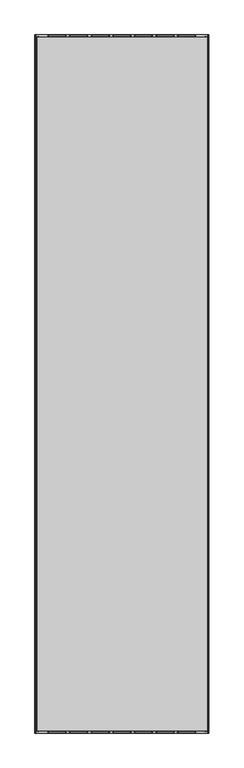
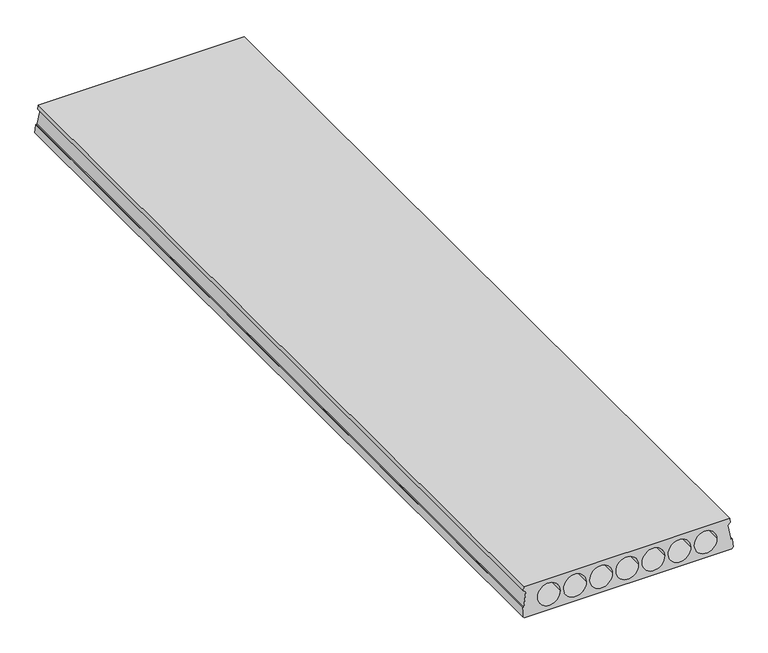
"""IFC4 building model written with IfcOpenShell, lengths in millimetres: beam geometry."""

from ifc_helpers import new_model, si_unit, frame, origin, place, context, project, spatial, polyline, ellipse_curve, source, transform, mapped, element, save
from ifc_brep_helpers import plane_surface, revolved_surface, advanced_brep


def beam_33a0fd13(model_context):
    return source(origin(), model_context, "Body", "AdvancedBrep", [
        advanced_brep(
        [(10.0, -5980.0, 0.0), (10.0, 0.0, 0.0), (1480.0, 0.0, 0.0), (1480.0, -5980.0, 0.0), (1474.7696772, -15.0, 220.0), (15.0, -15.0, 220.0), (15.0, -5965.0, 220.0), (1474.7696772, -5965.0, 220.0), (12.8871596, -12.9831978, 190.4202344), (15.8795357, -12.9686245, 190.2064933), (15.8795357, -5967.0313755, 190.2064933), (12.8871596, -5967.0168022, 190.4202344), (29.9864516, -12.0796557, 177.1682831), (29.9864516, -5967.9203443, 177.1682831), (12.6021714, -5.0553442, 74.1450488), (12.6021714, -5974.9446558, 74.1450488), (7.3298897, -4.8075988, 70.5114493), (7.3298897, -5975.1924012, 70.5114493), (4.3580656, -4.8417899, 71.0129189), (4.3580656, -5975.1582101, 71.0129189), (0.0, -0.6818182, 10.0), (0.0, -5979.3181818, 10.0), (1490.0, -0.6818182, 10.0), (1490.0, -5979.3181818, 10.0), (1485.6391914, -4.8444083, 71.051321), (1485.6391914, -5975.1555917, 71.051321), (1482.4401418, -4.8076029, 70.5115091), (1482.4401418, -5975.1923971, 70.5115091), (1477.167566, -5.0553621, 74.1453113), (1477.167566, -5974.9446379, 74.1453113), (1459.9865416, -12.0796614, 177.1683675), (1459.9865416, -5967.9203386, 177.1683675), (1473.8901415, -12.9686245, 190.2064933), (1473.8901415, -5967.0313755, 190.2064933), (1476.8825176, -12.9831978, 190.4202344), (1476.8825176, -5967.0168022, 190.4202344), (269.5, -7.4401262, 109.1218503), (110.5, -7.4401262, 109.1218503), (110.5, -5972.5598738, 109.1218503), (269.5, -5972.5598738, 109.1218503), (454.5, -7.4401262, 109.1218503), (295.5, -7.4401262, 109.1218503), (295.5, -5972.5598738, 109.1218503), (454.5, -5972.5598738, 109.1218503), (480.5, -7.4401262, 109.1218503), (639.5, -7.4401262, 109.1218503), (665.5, -7.4401262, 109.1218503), (824.5, -7.4401262, 109.1218503), (850.5, -7.4401262, 109.1218503), (1009.5, -7.4401262, 109.1218503), (1035.5, -7.4401262, 109.1218503), (1194.5, -7.4401262, 109.1218503), (1220.5, -7.4401262, 109.1218503), (1379.5, -7.4401262, 109.1218503), (639.5, -5972.5598738, 109.1218503), (480.5, -5972.5598738, 109.1218503), (824.5, -5972.5598738, 109.1218503), (665.5, -5972.5598738, 109.1218503), (1009.5, -5972.5598738, 109.1218503), (850.5, -5972.5598738, 109.1218503), (1194.5, -5972.5598738, 109.1218503), (1035.5, -5972.5598738, 109.1218503), (1379.5, -5972.5598738, 109.1218503), (1220.5, -5972.5598738, 109.1218503)],
        [
            (0, 1),
            (1, 2),
            (2, 3),
            (3, 0),
            (4, 5),
            (5, 6),
            (6, 7),
            (7, 4),
            (8, 9),
            (9, 10),
            (10, 11),
            (11, 8),
            (9, 12),
            (12, 13),
            (13, 10),
            (12, 14),
            (14, 15),
            (15, 13),
            (14, 16),
            (16, 17),
            (17, 15),
            (16, 18),
            (18, 19),
            (19, 17),
            (18, 20),
            (20, 21),
            (21, 19),
            (0, 21),
            (20, 1),
            (2, 22),
            (22, 23),
            (23, 3),
            (22, 24),
            (24, 25),
            (25, 23),
            (24, 26),
            (26, 27),
            (27, 25),
            (26, 28),
            (28, 29),
            (29, 27),
            (28, 30),
            (30, 31),
            (31, 29),
            (30, 32),
            (32, 33),
            (33, 31),
            (32, 34),
            (34, 35),
            (35, 33),
            (34, 4),
            (7, 35),
            (36, 37, ellipse_curve(frame((190.0, -7.4401262, 109.1218503), z_axis=(0.0, 0.9976836926815401, 0.06802388813737582), x_axis=(0.0, -0.06802388813737509, 0.9976836926815403)), 79.684574, 79.5)),
            (37, 38),
            (38, 39, ellipse_curve(frame((190.0, -5972.5598738, 109.1218503), z_axis=(0.0, -0.9976836926815401, 0.0680238881373752), x_axis=(0.0, -0.06802388813737571, -0.9976836926815402)), 79.684574, 79.5)),
            (39, 36),
            (37, 36, ellipse_curve(frame((190.0, -7.4401262, 109.1218503), z_axis=(0.0, 0.9976836926815401, 0.06802388813737582), x_axis=(0.0, -0.06802388813737509, 0.9976836926815403)), 79.684574, 79.5)),
            (39, 38, ellipse_curve(frame((190.0, -5972.5598738, 109.1218503), z_axis=(0.0, -0.9976836926815401, 0.0680238881373752), x_axis=(0.0, -0.06802388813737571, -0.9976836926815402)), 79.684574, 79.5)),
            (40, 41, ellipse_curve(frame((375.0, -7.4401262, 109.1218503), z_axis=(0.0, 0.9976836926815401, 0.06802388813737582), x_axis=(0.0, -0.06802388813737509, 0.9976836926815403)), 79.684574, 79.5)),
            (41, 42),
            (42, 43, ellipse_curve(frame((375.0, -5972.5598738, 109.1218503), z_axis=(0.0, -0.9976836926815401, 0.0680238881373752), x_axis=(0.0, -0.06802388813737571, -0.9976836926815402)), 79.684574, 79.5)),
            (43, 40),
            (41, 40, ellipse_curve(frame((375.0, -7.4401262, 109.1218503), z_axis=(0.0, 0.9976836926815401, 0.06802388813737582), x_axis=(0.0, -0.06802388813737509, 0.9976836926815403)), 79.684574, 79.5)),
            (43, 42, ellipse_curve(frame((375.0, -5972.5598738, 109.1218503), z_axis=(0.0, -0.9976836926815401, 0.0680238881373752), x_axis=(0.0, -0.06802388813737571, -0.9976836926815402)), 79.684574, 79.5)),
            (8, 5),
            (44, 45, ellipse_curve(frame((560.0, -7.4401262, 109.1218503), z_axis=(0.0, -0.9976836926815401, -0.06802388813737582), x_axis=(0.0, -0.06802388813737509, 0.9976836926815403)), 79.684574, 79.5)),
            (45, 44, ellipse_curve(frame((560.0, -7.4401262, 109.1218503), z_axis=(0.0, -0.9976836926815401, -0.06802388813737582), x_axis=(0.0, -0.06802388813737509, 0.9976836926815403)), 79.684574, 79.5)),
            (46, 47, ellipse_curve(frame((745.0, -7.4401262, 109.1218503), z_axis=(0.0, -0.9976836926815401, -0.06802388813737582), x_axis=(0.0, -0.06802388813737509, 0.9976836926815403)), 79.684574, 79.5)),
            (47, 46, ellipse_curve(frame((745.0, -7.4401262, 109.1218503), z_axis=(0.0, -0.9976836926815401, -0.06802388813737582), x_axis=(0.0, -0.06802388813737509, 0.9976836926815403)), 79.684574, 79.5)),
            (48, 49, ellipse_curve(frame((930.0, -7.4401262, 109.1218503), z_axis=(0.0, -0.9976836926815401, -0.06802388813737582), x_axis=(0.0, -0.06802388813737509, 0.9976836926815403)), 79.684574, 79.5)),
            (49, 48, ellipse_curve(frame((930.0, -7.4401262, 109.1218503), z_axis=(0.0, -0.9976836926815401, -0.06802388813737582), x_axis=(0.0, -0.06802388813737509, 0.9976836926815403)), 79.684574, 79.5)),
            (50, 51, ellipse_curve(frame((1115.0, -7.4401262, 109.1218503), z_axis=(0.0, -0.9976836926815401, -0.06802388813737582), x_axis=(0.0, -0.06802388813737509, 0.9976836926815403)), 79.684574, 79.5)),
            (51, 50, ellipse_curve(frame((1115.0, -7.4401262, 109.1218503), z_axis=(0.0, -0.9976836926815401, -0.06802388813737582), x_axis=(0.0, -0.06802388813737509, 0.9976836926815403)), 79.684574, 79.5)),
            (52, 53, ellipse_curve(frame((1300.0, -7.4401262, 109.1218503), z_axis=(0.0, -0.9976836926815401, -0.06802388813737582), x_axis=(0.0, -0.06802388813737509, 0.9976836926815403)), 79.684574, 79.5)),
            (53, 52, ellipse_curve(frame((1300.0, -7.4401262, 109.1218503), z_axis=(0.0, -0.9976836926815401, -0.06802388813737582), x_axis=(0.0, -0.06802388813737509, 0.9976836926815403)), 79.684574, 79.5)),
            (6, 11),
            (54, 55, ellipse_curve(frame((560.0, -5972.5598738, 109.1218503), z_axis=(0.0, 0.9976836926815401, -0.0680238881373752), x_axis=(0.0, -0.06802388813737571, -0.9976836926815402)), 79.684574, 79.5)),
            (55, 54, ellipse_curve(frame((560.0, -5972.5598738, 109.1218503), z_axis=(0.0, 0.9976836926815401, -0.0680238881373752), x_axis=(0.0, -0.06802388813737571, -0.9976836926815402)), 79.684574, 79.5)),
            (56, 57, ellipse_curve(frame((745.0, -5972.5598738, 109.1218503), z_axis=(0.0, 0.9976836926815401, -0.0680238881373752), x_axis=(0.0, -0.06802388813737571, -0.9976836926815402)), 79.684574, 79.5)),
            (57, 56, ellipse_curve(frame((745.0, -5972.5598738, 109.1218503), z_axis=(0.0, 0.9976836926815401, -0.0680238881373752), x_axis=(0.0, -0.06802388813737571, -0.9976836926815402)), 79.684574, 79.5)),
            (58, 59, ellipse_curve(frame((930.0, -5972.5598738, 109.1218503), z_axis=(0.0, 0.9976836926815401, -0.0680238881373752), x_axis=(0.0, -0.06802388813737571, -0.9976836926815402)), 79.684574, 79.5)),
            (59, 58, ellipse_curve(frame((930.0, -5972.5598738, 109.1218503), z_axis=(0.0, 0.9976836926815401, -0.0680238881373752), x_axis=(0.0, -0.06802388813737571, -0.9976836926815402)), 79.684574, 79.5)),
            (60, 61, ellipse_curve(frame((1115.0, -5972.5598738, 109.1218503), z_axis=(0.0, 0.9976836926815401, -0.0680238881373752), x_axis=(0.0, -0.06802388813737571, -0.9976836926815402)), 79.684574, 79.5)),
            (61, 60, ellipse_curve(frame((1115.0, -5972.5598738, 109.1218503), z_axis=(0.0, 0.9976836926815401, -0.0680238881373752), x_axis=(0.0, -0.06802388813737571, -0.9976836926815402)), 79.684574, 79.5)),
            (62, 63, ellipse_curve(frame((1300.0, -5972.5598738, 109.1218503), z_axis=(0.0, 0.9976836926815401, -0.0680238881373752), x_axis=(0.0, -0.06802388813737571, -0.9976836926815402)), 79.684574, 79.5)),
            (63, 62, ellipse_curve(frame((1300.0, -5972.5598738, 109.1218503), z_axis=(0.0, 0.9976836926815401, -0.0680238881373752), x_axis=(0.0, -0.06802388813737571, -0.9976836926815402)), 79.684574, 79.5)),
            (44, 55),
            (54, 45),
            (46, 57),
            (56, 47),
            (48, 59),
            (58, 49),
            (50, 61),
            (60, 51),
            (52, 63),
            (62, 53),
        ],
        [
            plane_surface(frame((10.0, -5980.0, 0.0), z_axis=(0.0, 0.0, -1.0), x_axis=(0.0, 1.0, 0.0))),
            plane_surface(frame((1474.7696772, -5980.0, 220.0), z_axis=(0.0, 0.0, 1.0), x_axis=(0.0, 1.0, 0.0))),
            plane_surface(frame((12.8871596, -5980.0, 190.4202344), z_axis=(-0.07124704998790854, 0.0, -0.9974586998307351), x_axis=(0.0, 1.0, 0.0))),
            plane_surface(frame((15.8795357, -5980.0, 190.2064933), z_axis=(-0.6787421090247223, 0.0, -0.7343767081251095), x_axis=(0.0, 1.0, 0.0))),
            plane_surface(frame((29.9864516, -5980.0, 177.1682831), z_axis=(-0.986060169345494, 0.0, 0.16638912954377705), x_axis=(0.0, 1.0, 0.0))),
            plane_surface(frame((12.6021714, -5980.0, 74.1450488), z_axis=(-0.5674729108239465, 0.0, 0.8233920666857298), x_axis=(0.0, 1.0, 0.0))),
            plane_surface(frame((7.3298897, -5980.0, 70.5114493), z_axis=(0.1663891295437833, 0.0, 0.9860601693454929), x_axis=(0.0, 1.0, 0.0))),
            plane_surface(frame((4.3580656, -5980.0, 71.0129189), z_axis=(-0.9974586998307351, 0.0, 0.07124704998791023), x_axis=(0.0, 1.0, 0.0))),
            plane_surface(frame((0.0, -5980.0, 10.0), z_axis=(-0.7071067811865369, 0.0, -0.7071067811865581), x_axis=(0.0, 1.0, 0.0))),
            plane_surface(frame((1480.0, -5980.0, 0.0), z_axis=(0.7071067811866409, 0.0, -0.7071067811864542), x_axis=(0.0, 1.0, 0.0))),
            plane_surface(frame((1490.0, -5980.0, 10.0), z_axis=(0.9974586998307335, 0.0, 0.07124704998793074), x_axis=(0.0, 1.0, 0.0))),
            plane_surface(frame((1485.6391914, -5980.0, 71.051321), z_axis=(-0.16638912954377913, 0.0, 0.9860601693454937), x_axis=(0.0, 1.0, 0.0))),
            plane_surface(frame((1482.4401418, -5980.0, 70.5115091), z_axis=(0.5674729108239595, 0.0, 0.8233920666857208), x_axis=(0.0, 1.0, 0.0))),
            plane_surface(frame((1477.167566, -5980.0, 74.1453113), z_axis=(0.9863775932866565, 0.0, 0.16449694058560207), x_axis=(0.0, 1.0, 0.0))),
            plane_surface(frame((1459.9865416, -5980.0, 177.1683675), z_axis=(0.6840388775846207, 0.0, -0.729445552425109), x_axis=(0.0, 1.0, 0.0))),
            plane_surface(frame((1473.8901415, -5980.0, 190.2064933), z_axis=(0.07124704998787597, 0.0, -0.9974586998307374), x_axis=(0.0, 1.0, 0.0))),
            plane_surface(frame((1476.8825176, -5980.0, 190.4202344), z_axis=(0.9974586998307367, 0.0, 0.07124704998788751), x_axis=(0.0, 1.0, 0.0))),
            revolved_surface(polyline([(269.5, -5977.9803283480505, 109.1218503), (269.5, -2.0196716519496123, 109.1218503)]), (190.0, 0.0, 109.1218503), (0.0, -1.0, 0.0)),
            revolved_surface(polyline([(454.5, -5977.9803283480505, 109.1218503), (454.5, -2.0196716519496123, 109.1218503)]), (375.0, 0.0, 109.1218503), (0.0, -1.0, 0.0)),
            plane_surface(frame((1490.0, -15.0, 220.0), z_axis=(0.0, 0.9976836926815401, 0.06802388813737582), x_axis=(-1.0, 0.0, 0.0))),
            plane_surface(frame((1490.0, -5980.0, 0.0), z_axis=(0.0, -0.9976836926815401, 0.0680238881373752), x_axis=(-1.0, 0.0, 0.0))),
            revolved_surface(polyline([(639.5, -5977.9803283480505, 109.1218503), (639.5, -2.0196716519496123, 109.1218503)]), (560.0, 0.0, 109.1218503), (0.0, -1.0, 0.0)),
            plane_surface(frame((15.0, -5980.0, 220.0), z_axis=(-0.997458699830735, 0.0, 0.07124704998791008), x_axis=(0.0, 1.0, 0.0))),
            revolved_surface(polyline([(824.5, -5977.9803283480505, 109.1218503), (824.5, -2.0196716519496123, 109.1218503)]), (745.0, 0.0, 109.1218503), (0.0, -1.0, 0.0)),
            revolved_surface(polyline([(1009.5, -5977.9803283480505, 109.1218503), (1009.5, -2.0196716519496123, 109.1218503)]), (930.0, 0.0, 109.1218503), (0.0, -1.0, 0.0)),
            revolved_surface(polyline([(1194.5, -5977.9803283480505, 109.1218503), (1194.5, -2.0196716519496123, 109.1218503)]), (1115.0, 0.0, 109.1218503), (0.0, -1.0, 0.0)),
            revolved_surface(polyline([(1379.5, -5977.9803283480505, 109.1218503), (1379.5, -2.0196716519496123, 109.1218503)]), (1300.0, 0.0, 109.1218503), (0.0, -1.0, 0.0)),
        ],
        [
            (0, [[1, 2, 3, 4]]),
            (1, [[5, 6, 7, 8]]),
            (2, [[9, 10, 11, 12]]),
            (3, [[13, 14, 15, -10]]),
            (4, [[16, 17, 18, -14]]),
            (5, [[19, 20, 21, -17]]),
            (6, [[22, 23, 24, -20]]),
            (7, [[25, 26, 27, -23]]),
            (8, [[-1, 28, -26, 29]]),
            (9, [[-3, 30, 31, 32]]),
            (10, [[33, 34, 35, -31]]),
            (11, [[36, 37, 38, -34]]),
            (12, [[39, 40, 41, -37]]),
            (13, [[42, 43, 44, -40]]),
            (14, [[45, 46, 47, -43]]),
            (15, [[48, 49, 50, -46]]),
            (16, [[51, -8, 52, -49]]),
            (17, [[53, 54, 55, 56]]),
            (17, [[57, -56, 58, -54]]),
            (18, [[59, 60, 61, 62]]),
            (18, [[63, -62, 64, -60]]),
            (19, [[-2, -29, -25, -22, -19, -16, -13, -9, 65, -5, -51, -48, -45, -42, -39, -36, -33, -30], [-53, -57], [-59, -63], [66, 67], [68, 69], [70, 71], [72, 73], [74, 75]]),
            (20, [[-4, -32, -35, -38, -41, -44, -47, -50, -52, -7, 76, -11, -15, -18, -21, -24, -27, -28], [-55, -58], [-61, -64], [77, 78], [79, 80], [81, 82], [83, 84], [85, 86]]),
            (21, [[87, -77, 88, -66]]),
            (21, [[-87, -67, -88, -78]]),
            (22, [[-65, -12, -76, -6]]),
            (23, [[89, -79, 90, -68]]),
            (23, [[-89, -69, -90, -80]]),
            (24, [[91, -81, 92, -70]]),
            (24, [[-91, -71, -92, -82]]),
            (25, [[93, -83, 94, -72]]),
            (25, [[-93, -73, -94, -84]]),
            (26, [[95, -85, 96, -74]]),
            (26, [[-95, -75, -96, -86]]),
        ],
    ),
    ])


if __name__ == "__main__":
    model = new_model("IFC4")
    model_context = context("Model", 3, world=origin())
    ifc_project = project(units=[si_unit("LENGTHUNIT", "METRE", prefix="MILLI")], contexts=[model_context])
    site = spatial("IfcSite", under=ifc_project)
    building = spatial("IfcBuilding", under=site)
    placement = place(None, origin())
    beam_shape = beam_33a0fd13(model_context)
    element("IfcBeam", 1, at=placement, inside=building, context=model_context, shape_type="MappedRepresentation", body=[
        mapped(beam_shape, transform((0.0, 0.0, 0.0), x_axis=(1.0, 0.0, 0.0), y_axis=(0.0, 1.0, 0.0), z_axis=(0.0, 0.0, 1.0))),
    ])
    save(model, "model.ifc")
